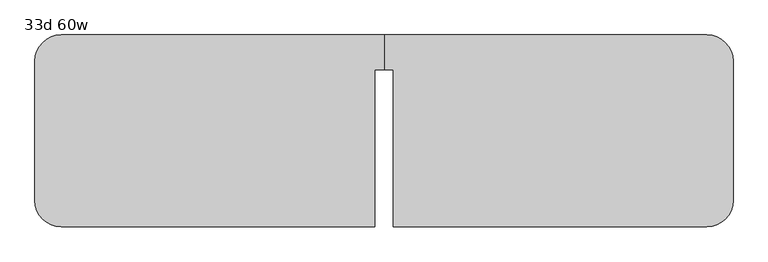
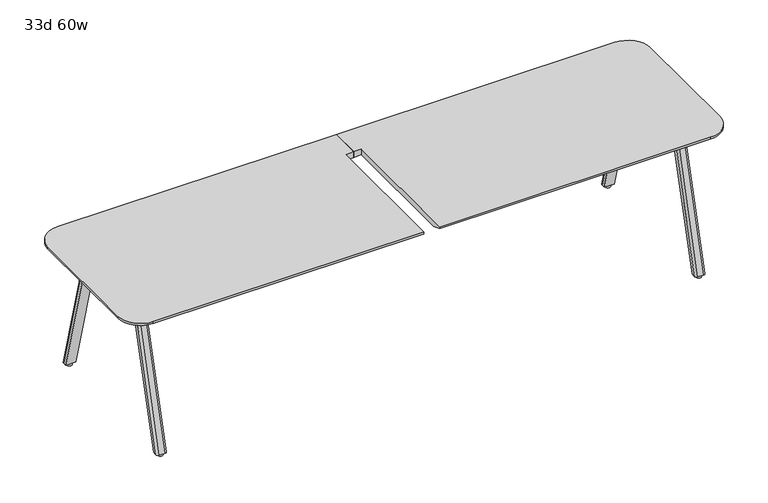
"""IFC4 building model written with IfcOpenShell, lengths in millimetres: furniture geometry, 33d 60w."""

from ifc_helpers import new_model, si_unit, point, frame, frame_2d, origin, origin_with_axes, place, context, project, spatial, polyline, circle_curve, trimmed, segment, composite_curve, outline, extrude, source, transform, mapped, element, save
from ifc_brep_helpers import plane_surface, cylinder_surface, revolved_surface, extruded_surface, advanced_brep


def furniture_33d_60w_03a08188(model_context):
    return source(origin(), model_context, "Body", "SolidModel", [
        extrude(outline(composite_curve([segment(trimmed(circle_curve(frame_2d((-1701.419, 11.3410641)), 9.525), [point((-1701.419, 1.8160641))], [point((-1710.944, 11.3410641))], False, "CARTESIAN"), True, "CONTINUOUS"), segment(polyline([(-1710.944, 11.3410641), (-1710.944, 94.0144335)]), True, "CONTINUOUS"), segment(trimmed(circle_curve(frame_2d((-1701.419, 94.0144335)), 9.525), [point((-1710.944, 94.0144335))], [point((-1701.419, 103.5394335))], False, "CARTESIAN"), True, "CONTINUOUS"), segment(polyline([(-1701.419, 103.5394335), (-1593.4690004, 103.5394335)]), True, "CONTINUOUS"), segment(trimmed(circle_curve(frame_2d((-1593.4690004, 94.0144335)), 9.525), [point((-1593.4690004, 103.5394335))], [point((-1583.9440004, 94.0144335))], False, "CARTESIAN"), True, "CONTINUOUS"), segment(polyline([(-1583.9440004, 94.0144335), (-1583.9440004, 11.3410641)]), True, "CONTINUOUS"), segment(trimmed(circle_curve(frame_2d((-1593.4690004, 11.3410641)), 9.525), [point((-1583.9440004, 11.3410641))], [point((-1593.4690004, 1.8160641))], False, "CARTESIAN"), True, "CONTINUOUS"), segment(polyline([(-1593.4690004, 1.8160641), (-1701.419, 1.8160641)]), True, "CONTINUOUS")], self_intersect=False)), frame((0.0, 0.0, 705.2055742), z_axis=(0.0, 0.0, 1.0), x_axis=(1.0, 0.0, 0.0)), (0.0, 0.0, 1.0), 5.9944258),
        advanced_brep(
        [(-1695.45, 96.3152734, 705.2055742), (-1704.975, 86.7902734, 705.2055742), (-1704.975, 66.1527734, 705.2055742), (-1654.175, 66.1527734, 705.2055742), (-1654.175, 86.7902734, 705.2055742), (-1663.7, 96.3152734, 705.2055742), (-1695.45, 282.8035641, 12.7), (-1663.7, 282.8035641, 12.7), (-1654.175, 273.2785641, 12.7), (-1654.175, 252.6410641, 12.7), (-1704.975, 252.6410641, 12.7), (-1704.975, 273.2785641, 12.7)],
        [
            (0, 1, circle_curve(frame((-1695.45, 86.7902734, 705.2055742), z_axis=(0.0, 0.0, 1.0), x_axis=(-1.0, 0.0, 0.0)), 9.525)),
            (1, 2),
            (2, 3),
            (3, 4),
            (4, 5, circle_curve(frame((-1663.7, 86.7902734, 705.2055742), z_axis=(0.0, 0.0, 1.0), x_axis=(-1.0, 0.0, 0.0)), 9.525)),
            (5, 0),
            (6, 7),
            (7, 8, circle_curve(frame((-1663.7, 273.2785641, 12.7), z_axis=(0.0, 0.0, -1.0), x_axis=(-1.0, 0.0, 0.0)), 9.525)),
            (8, 9),
            (9, 10),
            (10, 11),
            (11, 6, circle_curve(frame((-1695.45, 273.2785641, 12.7), z_axis=(0.0, 0.0, -1.0), x_axis=(-1.0, 0.0, 0.0)), 9.525)),
            (11, 1),
            (0, 6),
            (10, 2),
            (9, 3),
            (8, 4),
            (7, 5),
        ],
        [
            plane_surface(frame((-1679.575, 83.0861068, 705.2055742), z_axis=(0.0, 0.0, 1.0), x_axis=(1.0, 0.0, 0.0))),
            plane_surface(frame((-1679.575, 269.5743975, 12.7), z_axis=(0.0, 0.0, -1.0), x_axis=(1.0, 0.0, 0.0))),
            extruded_surface(trimmed(circle_curve(frame((-1695.45, 273.2785641, 12.7), z_axis=(0.0, 0.0, 1.0), x_axis=(-1.0, 0.0, 0.0)), 9.525), [point((-1695.45, 282.8035641, 12.7))], [point((-1704.975, 273.2785641, 12.7))], True, "CARTESIAN"), (0.0, -186.4882907, 692.5055742), 717.1763052878136),
            plane_surface(frame((-1704.975, 262.9598141, 12.7), z_axis=(-1.0, 0.0, 0.0), x_axis=(0.0, -1.0, 0.0))),
            plane_surface(frame((-1679.575, 252.6410641, 12.7), z_axis=(0.0, -0.9656001865922422, -0.260031305140414), x_axis=(1.0, 0.0, 0.0))),
            plane_surface(frame((-1654.175, 262.9598141, 12.7), z_axis=(1.0, 0.0, 0.0), x_axis=(0.0, 1.0, 0.0))),
            extruded_surface(trimmed(circle_curve(frame((-1663.7, 273.2785641, 12.7), z_axis=(0.0, 0.0, 1.0), x_axis=(-1.0, 0.0, 0.0)), 9.525), [point((-1654.175, 273.2785641, 12.7))], [point((-1663.7, 282.8035641, 12.7))], True, "CARTESIAN"), (0.0, -186.4882907, 692.5055742), 717.1763052878136),
            plane_surface(frame((-1679.575, 282.8035641, 12.7), z_axis=(0.0, 0.9656001865922422, 0.260031305140414), x_axis=(-1.0, 0.0, 0.0))),
        ],
        [
            (0, [[1, 2, 3, 4, 5, 6]]),
            (1, [[7, 8, 9, 10, 11, 12]]),
            (2, [[-12, 13, -1, 14]]),
            (3, [[-11, 15, -2, -13]]),
            (4, [[-10, 16, -3, -15]]),
            (5, [[-9, 17, -4, -16]]),
            (6, [[-8, 18, -5, -17]]),
            (7, [[-7, -14, -6, -18]]),
        ],
    ),
        extrude(outline(composite_curve([segment(trimmed(circle_curve(frame_2d((-1679.575, 266.9285641)), 12.7), [point((-1666.875, 266.9285641))], [point((-1692.275, 266.9285641))], False, "CARTESIAN"), True, "CONTINUOUS"), segment(trimmed(circle_curve(frame_2d((-1679.575, 266.9285641)), 12.7), [point((-1692.275, 266.9285641))], [point((-1666.875, 266.9285641))], False, "CARTESIAN"), True, "CONTINUOUS")], self_intersect=False)), origin_with_axes(), (0.0, 0.0, 1.0), 12.7),
        extrude(outline(composite_curve([segment(polyline([(-1701.419, -264.7980172), (-1593.4690004, -264.7980172)]), True, "CONTINUOUS"), segment(trimmed(circle_curve(frame_2d((-1593.4690004, -274.3230172)), 9.525), [point((-1593.4690004, -264.7980172))], [point((-1583.9440004, -274.3230172))], False, "CARTESIAN"), True, "CONTINUOUS"), segment(polyline([(-1583.9440004, -274.3230172), (-1583.9440004, -356.9963866)]), True, "CONTINUOUS"), segment(trimmed(circle_curve(frame_2d((-1593.4690004, -356.9963866)), 9.525), [point((-1583.9440004, -356.9963866))], [point((-1593.4690004, -366.5213866))], False, "CARTESIAN"), True, "CONTINUOUS"), segment(polyline([(-1593.4690004, -366.5213866), (-1701.419, -366.5213866)]), True, "CONTINUOUS"), segment(trimmed(circle_curve(frame_2d((-1701.419, -356.9963866)), 9.525), [point((-1701.419, -366.5213866))], [point((-1710.944, -356.9963866))], False, "CARTESIAN"), True, "CONTINUOUS"), segment(polyline([(-1710.944, -356.9963866), (-1710.944, -274.3230172)]), True, "CONTINUOUS"), segment(trimmed(circle_curve(frame_2d((-1701.419, -274.3230172)), 9.525), [point((-1710.944, -274.3230172))], [point((-1701.419, -264.7980172))], False, "CARTESIAN"), True, "CONTINUOUS")], self_intersect=False)), frame((0.0, 0.0, 705.2055742), z_axis=(0.0, 0.0, 1.0), x_axis=(1.0, 0.0, 0.0)), (0.0, 0.0, 1.0), 5.9944258),
        advanced_brep(
        [(-1695.45, -359.2972266, 705.2055742), (-1663.7, -359.2972266, 705.2055742), (-1654.175, -349.7722266, 705.2055742), (-1654.175, -329.1347266, 705.2055742), (-1704.975, -329.1347266, 705.2055742), (-1704.975, -349.7722266, 705.2055742), (-1695.45, -545.7855172, 12.7), (-1704.975, -536.2605172, 12.7), (-1704.975, -515.6230172, 12.7), (-1654.175, -515.6230172, 12.7), (-1654.175, -536.2605172, 12.7), (-1663.7, -545.7855172, 12.7)],
        [
            (0, 1),
            (1, 2, circle_curve(frame((-1663.7, -349.7722266, 705.2055742), z_axis=(0.0, 0.0, 1.0), x_axis=(-1.0, 0.0, 0.0)), 9.525)),
            (2, 3),
            (3, 4),
            (4, 5),
            (5, 0, circle_curve(frame((-1695.45, -349.7722266, 705.2055742), z_axis=(0.0, 0.0, 1.0), x_axis=(-1.0, 0.0, 0.0)), 9.525)),
            (6, 7, circle_curve(frame((-1695.45, -536.2605172, 12.7), z_axis=(0.0, 0.0, -1.0), x_axis=(-1.0, 0.0, 0.0)), 9.525)),
            (7, 8),
            (8, 9),
            (9, 10),
            (10, 11, circle_curve(frame((-1663.7, -536.2605172, 12.7), z_axis=(0.0, 0.0, -1.0), x_axis=(-1.0, 0.0, 0.0)), 9.525)),
            (11, 6),
            (6, 0),
            (5, 7),
            (4, 8),
            (3, 9),
            (2, 10),
            (1, 11),
        ],
        [
            plane_surface(frame((-1679.575, -346.0680599, 705.2055742), z_axis=(0.0, 0.0, 1.0), x_axis=(1.0, 0.0, 0.0))),
            plane_surface(frame((-1679.575, -532.5563506, 12.7), z_axis=(0.0, 0.0, -1.0), x_axis=(1.0, 0.0, 0.0))),
            extruded_surface(trimmed(circle_curve(frame((-1695.45, -349.7722266, 705.2055742), z_axis=(0.0, 0.0, -1.0), x_axis=(-1.0, 0.0, 0.0)), 9.525), [point((-1695.45, -359.2972266, 705.2055742))], [point((-1704.975, -349.7722266, 705.2055742))], True, "CARTESIAN"), (0.0, -186.48829059999997, -692.5055742), 717.1763052618105),
            plane_surface(frame((-1704.975, -525.9417672, 12.7), z_axis=(-1.0, 0.0, 0.0), x_axis=(0.0, 1.0, 0.0))),
            plane_surface(frame((-1679.575, -515.6230172, 12.7), z_axis=(0.0, 0.9656001865922422, -0.260031305140414), x_axis=(1.0, 0.0, 0.0))),
            plane_surface(frame((-1654.175, -525.9417672, 12.7), z_axis=(1.0, 0.0, 0.0), x_axis=(0.0, -1.0, 0.0))),
            extruded_surface(trimmed(circle_curve(frame((-1663.7, -349.7722266, 705.2055742), z_axis=(0.0, 0.0, -1.0), x_axis=(-1.0, 0.0, 0.0)), 9.525), [point((-1654.175, -349.7722266, 705.2055742))], [point((-1663.7, -359.2972266, 705.2055742))], True, "CARTESIAN"), (0.0, -186.48829059999997, -692.5055742), 717.1763052618105),
            plane_surface(frame((-1679.575, -545.7855172, 12.7), z_axis=(0.0, -0.9656001865922422, 0.260031305140414), x_axis=(-1.0, 0.0, 0.0))),
        ],
        [
            (0, [[1, 2, 3, 4, 5, 6]]),
            (1, [[7, 8, 9, 10, 11, 12]]),
            (2, [[13, -6, 14, -7]]),
            (3, [[-14, -5, 15, -8]]),
            (4, [[-15, -4, 16, -9]]),
            (5, [[-16, -3, 17, -10]]),
            (6, [[-17, -2, 18, -11]]),
            (7, [[-18, -1, -13, -12]]),
        ],
    ),
        extrude(outline(composite_curve([segment(trimmed(circle_curve(frame_2d((-1679.575, -529.9105172)), 12.7), [point((-1666.875, -529.9105172))], [point((-1692.275, -529.9105172))], False, "CARTESIAN"), True, "CONTINUOUS"), segment(trimmed(circle_curve(frame_2d((-1679.575, -529.9105172)), 12.7), [point((-1692.275, -529.9105172))], [point((-1666.875, -529.9105172))], False, "CARTESIAN"), True, "CONTINUOUS")], self_intersect=False)), origin_with_axes(), (0.0, 0.0, 1.0), 12.7),
        advanced_brep(
        [(-357.1875, -550.5909766, 741.3625), (-357.1875, 135.2090234, 741.3625), (-317.5, 135.2090234, 741.3625), (-317.5, 287.6090234, 741.3625), (-1727.2, 287.6090234, 741.3625), (-1841.5, 173.3090234, 741.3625), (-1841.5, -436.2909766, 741.3625), (-1727.2, -550.5909766, 741.3625), (-357.1875, 135.2090234, 711.2), (-357.1875, -499.7909766, 711.2), (-1727.2, -499.7909766, 711.2), (-1790.7, -436.2909766, 711.2), (-1790.7, 173.3090234, 711.2), (-1727.2, 236.8090234, 711.2), (-317.5, 236.8090234, 711.2), (-317.5, 135.2090234, 711.2), (-1727.2, -550.5909766, 731.8375), (-357.1875, -550.5909766, 731.8375), (-1841.5, 173.3090234, 731.8375), (-1841.5, -436.2909766, 731.8375), (-317.5, 287.6090234, 731.8375), (-1727.2, 287.6090234, 731.8375)],
        [
            (0, 1),
            (1, 2),
            (2, 3),
            (3, 4),
            (4, 5, circle_curve(frame((-1727.2, 173.3090234, 741.3625), z_axis=(0.0, 0.0, 1.0), x_axis=(-1.0, 0.0, 0.0)), 114.3)),
            (5, 6),
            (6, 7, circle_curve(frame((-1727.2, -436.2909766, 741.3625), z_axis=(0.0, 0.0, 1.0), x_axis=(-1.0, 0.0, 0.0)), 114.3)),
            (7, 0),
            (8, 9),
            (9, 10),
            (10, 11, circle_curve(frame((-1727.2, -436.2909766, 711.2), z_axis=(0.0, 0.0, -1.0), x_axis=(0.0, -1.0, 0.0)), 63.5)),
            (11, 12),
            (12, 13, circle_curve(frame((-1727.2, 173.3090234, 711.2), z_axis=(0.0, 0.0, -1.0), x_axis=(-1.0, 0.0, 0.0)), 63.5)),
            (13, 14),
            (14, 15),
            (15, 8),
            (7, 16),
            (16, 17),
            (17, 0),
            (5, 18),
            (18, 19),
            (19, 6),
            (19, 16, circle_curve(frame((-1727.2, -436.2909766, 731.8375), z_axis=(0.0, 0.0, 1.0), x_axis=(-1.0, 0.0, 0.0)), 114.3)),
            (3, 20),
            (20, 21),
            (21, 4),
            (9, 17),
            (16, 10),
            (19, 11),
            (18, 12),
            (18, 21, circle_curve(frame((-1727.2, 173.3090234, 731.8375), z_axis=(0.0, 0.0, -1.0), x_axis=(-1.0, 0.0, 0.0)), 114.3)),
            (21, 13),
            (20, 14),
            (1, 8),
            (15, 2),
        ],
        [
            plane_surface(frame((-1727.2, -550.5909766, 741.3625), z_axis=(0.0, 0.0, 1.0), x_axis=(-1.0, 0.0, 0.0))),
            plane_surface(frame((-1727.2, -550.5909766, 711.2), z_axis=(0.0, 0.0, -1.0), x_axis=(1.0, 0.0, 0.0))),
            plane_surface(frame((-357.1875, -550.5909766, 741.3625), z_axis=(0.0, -1.0, 0.0), x_axis=(0.0, 0.0, -1.0))),
            plane_surface(frame((-1841.5, -436.2909766, 741.3625), z_axis=(-1.0, 0.0, 0.0), x_axis=(0.0, 0.0, -1.0))),
            cylinder_surface(frame((-1727.2, -436.2909766, 711.2), z_axis=(0.0, 0.0, 1.0), x_axis=(-1.0, 0.0, 0.0)), 114.3),
            plane_surface(frame((-1727.2, 287.6090234, 741.3625), z_axis=(0.0, 1.0, 0.0), x_axis=(0.0, 0.0, -1.0))),
            plane_surface(frame((-357.1875, -550.5909766, 731.8375), z_axis=(0.0, -0.3763770469570871, -0.9264665771218423), x_axis=(-1.0, 0.0, 0.0))),
            revolved_surface(polyline([(-1727.2, -499.7909766, 711.2), (-1727.2, -550.5909766, 731.8375)]), (-1727.2, -436.2909766, 0.0), (0.0, 0.0, 1.0)),
            plane_surface(frame((-1841.5, -436.2909766, 731.8375), z_axis=(-0.3763770469570871, 0.0, -0.9264665771218423), x_axis=(0.0, 1.0, 0.0))),
            revolved_surface(polyline([(-1790.7, 173.3090234, 711.2), (-1841.5, 173.3090234, 731.8375)]), (-1727.2, 173.3090234, 0.0), (0.0, 0.0, 1.0)),
            plane_surface(frame((-1727.2, 287.6090234, 731.8375), z_axis=(0.0, 0.3763770469570871, -0.9264665771218423), x_axis=(1.0, 0.0, 0.0))),
            cylinder_surface(frame((-1727.2, 173.3090234, 711.2), z_axis=(0.0, 0.0, 1.0), x_axis=(-1.0, 0.0, 0.0)), 114.3),
            plane_surface(frame((-317.5, 135.2090234, 741.3625), z_axis=(0.0, -1.0, 0.0), x_axis=(0.0, 0.0, -1.0))),
            plane_surface(frame((-317.5, 287.6090234, 741.3625), z_axis=(1.0, 0.0, 0.0), x_axis=(0.0, 0.0, -1.0))),
            plane_surface(frame((-357.1875, 135.2090234, 741.3625), z_axis=(1.0, 0.0, 0.0), x_axis=(0.0, 0.0, -1.0))),
        ],
        [
            (0, [[1, 2, 3, 4, 5, 6, 7, 8]]),
            (1, [[9, 10, 11, 12, 13, 14, 15, 16]]),
            (2, [[17, 18, 19, -8]]),
            (3, [[20, 21, 22, -6]]),
            (4, [[-22, 23, -17, -7]]),
            (5, [[24, 25, 26, -4]]),
            (6, [[-10, 27, -18, 28]]),
            (7, [[-23, 29, -11, -28]]),
            (8, [[-21, 30, -12, -29]]),
            (9, [[31, 32, -13, -30]]),
            (10, [[-25, 33, -14, -32]]),
            (11, [[-26, -31, -20, -5]]),
            (12, [[34, -16, 35, -2]]),
            (13, [[-35, -15, -33, -24, -3]]),
            (14, [[-19, -27, -9, -34, -1]]),
        ],
    ),
        advanced_brep(
        [(-277.8125, -550.5909766, 741.3625), (1092.2, -550.5909766, 741.3625), (1206.5, -436.2909766, 741.3625), (1206.5, 173.3090234, 741.3625), (1092.2, 287.6090234, 741.3625), (-317.5, 287.6090234, 741.3625), (-317.5, 135.2090234, 741.3625), (-277.8125, 135.2090234, 741.3625), (-277.8125, 135.2090234, 711.2), (-317.5, 135.2090234, 711.2), (-317.5, 236.8090234, 711.2), (1092.2, 236.8090234, 711.2), (1155.7, 173.3090234, 711.2), (1155.7, -436.2909766, 711.2), (1092.2, -499.7909766, 711.2), (-277.8125, -499.7909766, 711.2), (-277.8125, -550.5909766, 731.8375), (1092.2, -550.5909766, 731.8375), (1206.5, -436.2909766, 731.8375), (1206.5, 173.3090234, 731.8375), (1092.2, 287.6090234, 731.8375), (-317.5, 287.6090234, 731.8375)],
        [
            (0, 1),
            (1, 2, circle_curve(frame((1092.2, -436.2909766, 741.3625), z_axis=(0.0, 0.0, 1.0), x_axis=(1.0, 0.0, 0.0)), 114.3)),
            (2, 3),
            (3, 4, circle_curve(frame((1092.2, 173.3090234, 741.3625), z_axis=(0.0, 0.0, 1.0), x_axis=(1.0, 0.0, 0.0)), 114.3)),
            (4, 5),
            (5, 6),
            (6, 7),
            (7, 0),
            (8, 9),
            (9, 10),
            (10, 11),
            (11, 12, circle_curve(frame((1092.2, 173.3090234, 711.2), z_axis=(0.0, 0.0, -1.0), x_axis=(1.0, 0.0, 0.0)), 63.5)),
            (12, 13),
            (13, 14, circle_curve(frame((1092.2, -436.2909766, 711.2), z_axis=(0.0, 0.0, -1.0), x_axis=(0.0, -1.0, 0.0)), 63.5)),
            (14, 15),
            (15, 8),
            (0, 16),
            (16, 17),
            (17, 1),
            (2, 18),
            (18, 19),
            (19, 3),
            (17, 18, circle_curve(frame((1092.2, -436.2909766, 731.8375), z_axis=(0.0, 0.0, 1.0), x_axis=(1.0, 0.0, 0.0)), 114.3)),
            (4, 20),
            (20, 21),
            (21, 5),
            (14, 17),
            (16, 15),
            (13, 18),
            (12, 19),
            (11, 20),
            (20, 19, circle_curve(frame((1092.2, 173.3090234, 731.8375), z_axis=(0.0, 0.0, -1.0), x_axis=(1.0, 0.0, 0.0)), 114.3)),
            (10, 21),
            (6, 9),
            (8, 7),
        ],
        [
            plane_surface(frame((1092.2, -550.5909766, 741.3625), z_axis=(0.0, 0.0, 1.0), x_axis=(1.0, 0.0, 0.0))),
            plane_surface(frame((1092.2, -550.5909766, 711.2), z_axis=(0.0, 0.0, -1.0), x_axis=(-1.0, 0.0, 0.0))),
            plane_surface(frame((-277.8125, -550.5909766, 741.3625), z_axis=(0.0, -1.0, 0.0), x_axis=(0.0, 0.0, -1.0))),
            plane_surface(frame((1206.5, -436.2909766, 741.3625), z_axis=(1.0, 0.0, 0.0), x_axis=(0.0, 0.0, -1.0))),
            cylinder_surface(frame((1092.2, -436.2909766, 711.2), z_axis=(0.0, 0.0, 1.0), x_axis=(1.0, 0.0, 0.0)), 114.3),
            plane_surface(frame((1092.2, 287.6090234, 741.3625), z_axis=(0.0, 1.0, 0.0), x_axis=(0.0, 0.0, -1.0))),
            plane_surface(frame((-277.8125, -550.5909766, 731.8375), z_axis=(0.0, -0.3763770469570871, -0.9264665771218423), x_axis=(1.0, 0.0, 0.0))),
            revolved_surface(polyline([(1092.2, -499.7909766, 711.2), (1092.2, -550.5909766, 731.8375)]), (1092.2, -436.2909766, 0.0), (0.0, 0.0, 1.0)),
            plane_surface(frame((1206.5, -436.2909766, 731.8375), z_axis=(0.3763770469570871, 0.0, -0.9264665771218423), x_axis=(0.0, 1.0, 0.0))),
            revolved_surface(polyline([(1155.7, 173.3090234, 711.2), (1206.5, 173.3090234, 731.8375)]), (1092.2, 173.3090234, 0.0), (0.0, 0.0, 1.0)),
            plane_surface(frame((1092.2, 287.6090234, 731.8375), z_axis=(0.0, 0.3763770469570871, -0.9264665771218423), x_axis=(-1.0, 0.0, 0.0))),
            cylinder_surface(frame((1092.2, 173.3090234, 711.2), z_axis=(0.0, 0.0, 1.0), x_axis=(1.0, 0.0, 0.0)), 114.3),
            plane_surface(frame((-317.5, 135.2090234, 741.3625), z_axis=(0.0, -1.0, 0.0), x_axis=(0.0, 0.0, -1.0))),
            plane_surface(frame((-317.5, 287.6090234, 741.3625), z_axis=(-1.0, 0.0, 0.0), x_axis=(0.0, 0.0, -1.0))),
            plane_surface(frame((-277.8125, 135.2090234, 741.3625), z_axis=(-1.0, 0.0, 0.0), x_axis=(0.0, 0.0, -1.0))),
        ],
        [
            (0, [[1, 2, 3, 4, 5, 6, 7, 8]]),
            (1, [[9, 10, 11, 12, 13, 14, 15, 16]]),
            (2, [[-1, 17, 18, 19]]),
            (3, [[-3, 20, 21, 22]]),
            (4, [[-2, -19, 23, -20]]),
            (5, [[-5, 24, 25, 26]]),
            (6, [[27, -18, 28, -15]]),
            (7, [[-27, -14, 29, -23]]),
            (8, [[-29, -13, 30, -21]]),
            (9, [[-30, -12, 31, 32]]),
            (10, [[-31, -11, 33, -25]]),
            (11, [[-4, -22, -32, -24]]),
            (12, [[-7, 34, -9, 35]]),
            (13, [[-6, -26, -33, -10, -34]]),
            (14, [[-8, -35, -16, -28, -17]]),
        ],
    ),
        extrude(outline(composite_curve([segment(polyline([(1066.419, 1.8160641), (958.4690004, 1.8160641)]), True, "CONTINUOUS"), segment(trimmed(circle_curve(frame_2d((958.4690004, 11.3410641)), 9.525), [point((958.4690004, 1.8160641))], [point((948.9440004, 11.3410641))], False, "CARTESIAN"), True, "CONTINUOUS"), segment(polyline([(948.9440004, 11.3410641), (948.9440004, 94.0144335)]), True, "CONTINUOUS"), segment(trimmed(circle_curve(frame_2d((958.4690004, 94.0144335)), 9.525), [point((948.9440004, 94.0144335))], [point((958.4690004, 103.5394335))], False, "CARTESIAN"), True, "CONTINUOUS"), segment(polyline([(958.4690004, 103.5394335), (1066.419, 103.5394335)]), True, "CONTINUOUS"), segment(trimmed(circle_curve(frame_2d((1066.419, 94.0144335)), 9.525), [point((1066.419, 103.5394335))], [point((1075.944, 94.0144335))], False, "CARTESIAN"), True, "CONTINUOUS"), segment(polyline([(1075.944, 94.0144335), (1075.944, 11.3410641)]), True, "CONTINUOUS"), segment(trimmed(circle_curve(frame_2d((1066.419, 11.3410641)), 9.525), [point((1075.944, 11.3410641))], [point((1066.419, 1.8160641))], False, "CARTESIAN"), True, "CONTINUOUS")], self_intersect=False)), frame((0.0, 0.0, 705.2055742), z_axis=(0.0, 0.0, 1.0), x_axis=(1.0, 0.0, 0.0)), (0.0, 0.0, 1.0), 5.9944258),
        advanced_brep(
        [(1060.45, 96.3152734, 705.2055742), (1028.7, 96.3152734, 705.2055742), (1019.175, 86.7902734, 705.2055742), (1019.175, 66.1527734, 705.2055742), (1069.975, 66.1527734, 705.2055742), (1069.975, 86.7902734, 705.2055742), (1060.45, 282.8035641, 12.7), (1069.975, 273.2785641, 12.7), (1069.975, 252.6410641, 12.7), (1019.175, 252.6410641, 12.7), (1019.175, 273.2785641, 12.7), (1028.7, 282.8035641, 12.7)],
        [
            (0, 1),
            (1, 2, circle_curve(frame((1028.7, 86.7902734, 705.2055742), z_axis=(0.0, 0.0, 1.0), x_axis=(1.0, 0.0, 0.0)), 9.525)),
            (2, 3),
            (3, 4),
            (4, 5),
            (5, 0, circle_curve(frame((1060.45, 86.7902734, 705.2055742), z_axis=(0.0, 0.0, 1.0), x_axis=(1.0, 0.0, 0.0)), 9.525)),
            (6, 7, circle_curve(frame((1060.45, 273.2785641, 12.7), z_axis=(0.0, 0.0, -1.0), x_axis=(1.0, 0.0, 0.0)), 9.525)),
            (7, 8),
            (8, 9),
            (9, 10),
            (10, 11, circle_curve(frame((1028.7, 273.2785641, 12.7), z_axis=(0.0, 0.0, -1.0), x_axis=(1.0, 0.0, 0.0)), 9.525)),
            (11, 6),
            (6, 0),
            (5, 7),
            (4, 8),
            (3, 9),
            (2, 10),
            (1, 11),
        ],
        [
            plane_surface(frame((1044.575, 83.0861068, 705.2055742), z_axis=(0.0, 0.0, 1.0), x_axis=(-1.0, 0.0, 0.0))),
            plane_surface(frame((1044.575, 269.5743975, 12.7), z_axis=(0.0, 0.0, -1.0), x_axis=(-1.0, 0.0, 0.0))),
            extruded_surface(trimmed(circle_curve(frame((1060.45, 86.7902734, 705.2055742), z_axis=(0.0, 0.0, -1.0), x_axis=(1.0, 0.0, 0.0)), 9.525), [point((1060.45, 96.3152734, 705.2055742))], [point((1069.975, 86.7902734, 705.2055742))], True, "CARTESIAN"), (0.0, 186.4882907, -692.5055742), 717.1763052878136),
            plane_surface(frame((1069.975, 262.9598141, 12.7), z_axis=(1.0, 0.0, 0.0), x_axis=(0.0, -1.0, 0.0))),
            plane_surface(frame((1044.575, 252.6410641, 12.7), z_axis=(0.0, -0.9656001865922422, -0.260031305140414), x_axis=(-1.0, 0.0, 0.0))),
            plane_surface(frame((1019.175, 262.9598141, 12.7), z_axis=(-1.0, 0.0, 0.0), x_axis=(0.0, 1.0, 0.0))),
            extruded_surface(trimmed(circle_curve(frame((1028.7, 86.7902734, 705.2055742), z_axis=(0.0, 0.0, -1.0), x_axis=(1.0, 0.0, 0.0)), 9.525), [point((1019.175, 86.7902734, 705.2055742))], [point((1028.7, 96.3152734, 705.2055742))], True, "CARTESIAN"), (0.0, 186.4882907, -692.5055742), 717.1763052878136),
            plane_surface(frame((1044.575, 282.8035641, 12.7), z_axis=(0.0, 0.9656001865922422, 0.260031305140414), x_axis=(1.0, 0.0, 0.0))),
        ],
        [
            (0, [[1, 2, 3, 4, 5, 6]]),
            (1, [[7, 8, 9, 10, 11, 12]]),
            (2, [[13, -6, 14, -7]]),
            (3, [[-14, -5, 15, -8]]),
            (4, [[-15, -4, 16, -9]]),
            (5, [[-16, -3, 17, -10]]),
            (6, [[-17, -2, 18, -11]]),
            (7, [[-18, -1, -13, -12]]),
        ],
    ),
        extrude(outline(composite_curve([segment(trimmed(circle_curve(frame_2d((1044.575, 266.9285641)), 12.7), [point((1031.875, 266.9285641))], [point((1057.275, 266.9285641))], False, "CARTESIAN"), True, "CONTINUOUS"), segment(trimmed(circle_curve(frame_2d((1044.575, 266.9285641)), 12.7), [point((1057.275, 266.9285641))], [point((1031.875, 266.9285641))], False, "CARTESIAN"), True, "CONTINUOUS")], self_intersect=False)), origin_with_axes(), (0.0, 0.0, 1.0), 12.7),
        extrude(outline(composite_curve([segment(trimmed(circle_curve(frame_2d((1066.419, -274.3230172)), 9.525), [point((1066.419, -264.7980172))], [point((1075.944, -274.3230172))], False, "CARTESIAN"), True, "CONTINUOUS"), segment(polyline([(1075.944, -274.3230172), (1075.944, -356.9963866)]), True, "CONTINUOUS"), segment(trimmed(circle_curve(frame_2d((1066.419, -356.9963866)), 9.525), [point((1075.944, -356.9963866))], [point((1066.419, -366.5213866))], False, "CARTESIAN"), True, "CONTINUOUS"), segment(polyline([(1066.419, -366.5213866), (958.4690004, -366.5213866)]), True, "CONTINUOUS"), segment(trimmed(circle_curve(frame_2d((958.4690004, -356.9963866)), 9.525), [point((958.4690004, -366.5213866))], [point((948.9440004, -356.9963866))], False, "CARTESIAN"), True, "CONTINUOUS"), segment(polyline([(948.9440004, -356.9963866), (948.9440004, -274.3230172)]), True, "CONTINUOUS"), segment(trimmed(circle_curve(frame_2d((958.4690004, -274.3230172)), 9.525), [point((948.9440004, -274.3230172))], [point((958.4690004, -264.7980172))], False, "CARTESIAN"), True, "CONTINUOUS"), segment(polyline([(958.4690004, -264.7980172), (1066.419, -264.7980172)]), True, "CONTINUOUS")], self_intersect=False)), frame((0.0, 0.0, 705.2055742), z_axis=(0.0, 0.0, 1.0), x_axis=(1.0, 0.0, 0.0)), (0.0, 0.0, 1.0), 5.9944258),
        advanced_brep(
        [(1060.45, -359.2972266, 705.2055742), (1069.975, -349.7722266, 705.2055742), (1069.975, -329.1347266, 705.2055742), (1019.175, -329.1347266, 705.2055742), (1019.175, -349.7722266, 705.2055742), (1028.7, -359.2972266, 705.2055742), (1060.45, -545.7855172, 12.7), (1028.7, -545.7855172, 12.7), (1019.175, -536.2605172, 12.7), (1019.175, -515.6230172, 12.7), (1069.975, -515.6230172, 12.7), (1069.975, -536.2605172, 12.7)],
        [
            (0, 1, circle_curve(frame((1060.45, -349.7722266, 705.2055742), z_axis=(0.0, 0.0, 1.0), x_axis=(1.0, 0.0, 0.0)), 9.525)),
            (1, 2),
            (2, 3),
            (3, 4),
            (4, 5, circle_curve(frame((1028.7, -349.7722266, 705.2055742), z_axis=(0.0, 0.0, 1.0), x_axis=(1.0, 0.0, 0.0)), 9.525)),
            (5, 0),
            (6, 7),
            (7, 8, circle_curve(frame((1028.7, -536.2605172, 12.7), z_axis=(0.0, 0.0, -1.0), x_axis=(1.0, 0.0, 0.0)), 9.525)),
            (8, 9),
            (9, 10),
            (10, 11),
            (11, 6, circle_curve(frame((1060.45, -536.2605172, 12.7), z_axis=(0.0, 0.0, -1.0), x_axis=(1.0, 0.0, 0.0)), 9.525)),
            (11, 1),
            (0, 6),
            (10, 2),
            (9, 3),
            (8, 4),
            (7, 5),
        ],
        [
            plane_surface(frame((1044.575, -346.0680599, 705.2055742), z_axis=(0.0, 0.0, 1.0), x_axis=(-1.0, 0.0, 0.0))),
            plane_surface(frame((1044.575, -532.5563506, 12.7), z_axis=(0.0, 0.0, -1.0), x_axis=(-1.0, 0.0, 0.0))),
            extruded_surface(trimmed(circle_curve(frame((1060.45, -536.2605172, 12.7), z_axis=(0.0, 0.0, 1.0), x_axis=(1.0, 0.0, 0.0)), 9.525), [point((1060.45, -545.7855172, 12.7))], [point((1069.975, -536.2605172, 12.7))], True, "CARTESIAN"), (0.0, 186.48829059999997, 692.5055742), 717.1763052618105),
            plane_surface(frame((1069.975, -525.9417672, 12.7), z_axis=(1.0, 0.0, 0.0), x_axis=(0.0, 1.0, 0.0))),
            plane_surface(frame((1044.575, -515.6230172, 12.7), z_axis=(0.0, 0.9656001865922422, -0.260031305140414), x_axis=(-1.0, 0.0, 0.0))),
            plane_surface(frame((1019.175, -525.9417672, 12.7), z_axis=(-1.0, 0.0, 0.0), x_axis=(0.0, -1.0, 0.0))),
            extruded_surface(trimmed(circle_curve(frame((1028.7, -536.2605172, 12.7), z_axis=(0.0, 0.0, 1.0), x_axis=(1.0, 0.0, 0.0)), 9.525), [point((1019.175, -536.2605172, 12.7))], [point((1028.7, -545.7855172, 12.7))], True, "CARTESIAN"), (0.0, 186.48829059999997, 692.5055742), 717.1763052618105),
            plane_surface(frame((1044.575, -545.7855172, 12.7), z_axis=(0.0, -0.9656001865922422, 0.260031305140414), x_axis=(1.0, 0.0, 0.0))),
        ],
        [
            (0, [[1, 2, 3, 4, 5, 6]]),
            (1, [[7, 8, 9, 10, 11, 12]]),
            (2, [[-12, 13, -1, 14]]),
            (3, [[-11, 15, -2, -13]]),
            (4, [[-10, 16, -3, -15]]),
            (5, [[-9, 17, -4, -16]]),
            (6, [[-8, 18, -5, -17]]),
            (7, [[-7, -14, -6, -18]]),
        ],
    ),
        extrude(outline(composite_curve([segment(trimmed(circle_curve(frame_2d((1044.575, -529.9105172)), 12.7), [point((1031.875, -529.9105172))], [point((1057.275, -529.9105172))], False, "CARTESIAN"), True, "CONTINUOUS"), segment(trimmed(circle_curve(frame_2d((1044.575, -529.9105172)), 12.7), [point((1057.275, -529.9105172))], [point((1031.875, -529.9105172))], False, "CARTESIAN"), True, "CONTINUOUS")], self_intersect=False)), origin_with_axes(), (0.0, 0.0, 1.0), 12.7),
    ])


if __name__ == "__main__":
    model = new_model("IFC4")
    model_context = context("Model", 3, world=origin())
    ifc_project = project(units=[si_unit("LENGTHUNIT", "METRE", prefix="MILLI")], contexts=[model_context])
    site = spatial("IfcSite", under=ifc_project)
    building = spatial("IfcBuilding", under=site)
    placement = place(None, origin())
    furniture_33d_60w_shape = furniture_33d_60w_03a08188(model_context)
    element("IfcFurniture", 1, ObjectType="33d 60w", at=placement, inside=building, context=model_context, shape_type="MappedRepresentation", body=[
        mapped(furniture_33d_60w_shape, transform((0.0, 0.0, 0.0), x_axis=(1.0, 0.0, 0.0), y_axis=(0.0, 1.0, 0.0), z_axis=(0.0, 0.0, 1.0))),
    ])
    save(model, "model.ifc")
